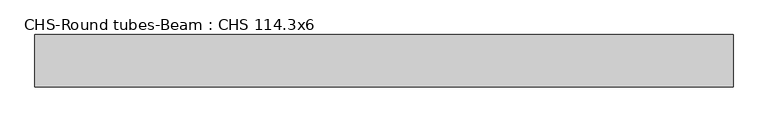
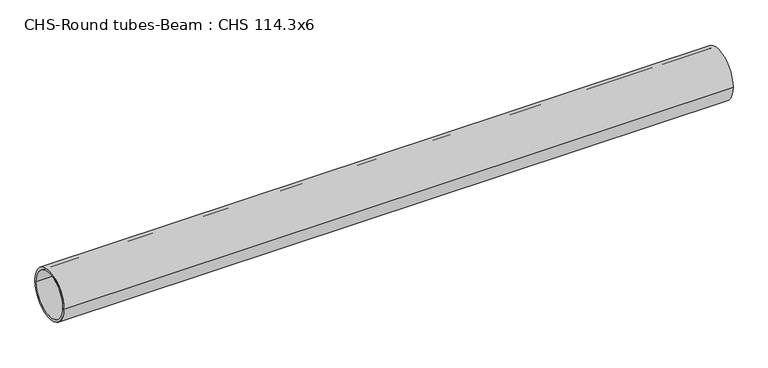
"""IFC4 building model written with IfcOpenShell, lengths in millimetres: beam geometry, CHS-Round tubes-Beam : CHS 114.3x6."""

from ifc_helpers import new_model, si_unit, point, frame, origin, origin_2d, place, context, project, spatial, circle_curve, trimmed, segment, composite_curve, outline, extrude, source, transform, mapped, element, save


def chs_round_tubes_beam_chs_114_3x6_69cf69c0(model_context):
    return source(origin(), model_context, "Body", "SweptSolid", [
        extrude(outline(composite_curve([segment(trimmed(circle_curve(origin_2d(), 57.15), [point((57.15, 0.0))], [point((-57.15, 0.0))], False, "CARTESIAN"), True, "CONTINUOUS"), segment(trimmed(circle_curve(origin_2d(), 57.15), [point((-57.15, 0.0))], [point((57.15, 0.0))], False, "CARTESIAN"), True, "CONTINUOUS")], self_intersect=False), holes=[composite_curve([segment(trimmed(circle_curve(origin_2d(), 51.15), [point((51.15, 0.0))], [point((-51.15, 0.0))], True, "CARTESIAN"), True, "CONTINUOUS"), segment(trimmed(circle_curve(origin_2d(), 51.15), [point((-51.15, 0.0))], [point((51.15, 0.0))], True, "CARTESIAN"), True, "CONTINUOUS")], self_intersect=False)]), frame((-774.7945992, 0.0, 0.0), z_axis=(1.0, 0.0, 0.0), x_axis=(0.0, 1.0, 0.0)), (0.0, 0.0, 1.0), 1522.7703298),
    ])


if __name__ == "__main__":
    model = new_model("IFC4")
    model_context = context("Model", 3, world=origin())
    ifc_project = project(units=[si_unit("LENGTHUNIT", "METRE", prefix="MILLI")], contexts=[model_context])
    site = spatial("IfcSite", under=ifc_project)
    building = spatial("IfcBuilding", under=site)
    placement = place(None, origin())
    chs_round_tubes_beam_chs_114_3x6_shape = chs_round_tubes_beam_chs_114_3x6_69cf69c0(model_context)
    element("IfcBeam", 1, ObjectType="CHS-Round tubes-Beam : CHS 114.3x6", at=placement, inside=building, context=model_context, shape_type="MappedRepresentation", body=[
        mapped(chs_round_tubes_beam_chs_114_3x6_shape, transform((0.0, 0.0, 0.0), x_axis=(1.0, 0.0, 0.0), y_axis=(0.0, 1.0, 0.0), z_axis=(0.0, 0.0, 1.0))),
    ])
    save(model, "model.ifc")
